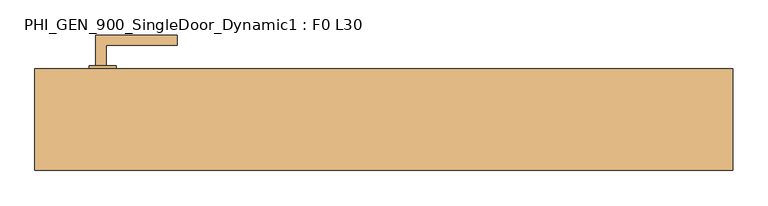
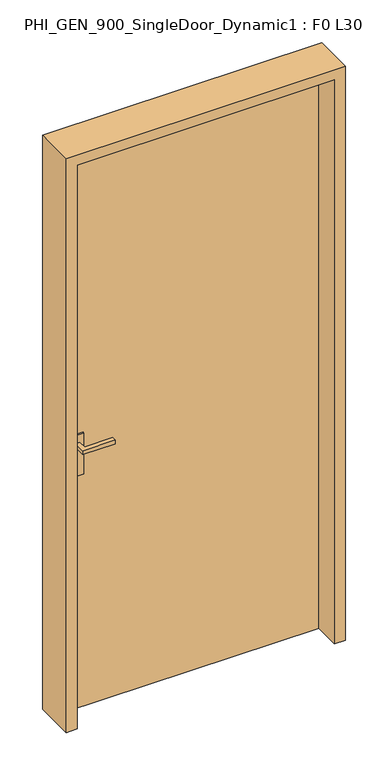
"""IFC4 building model written with IfcOpenShell, lengths in millimetres: door geometry, PHI_GEN_900_SingleDoor_Dynamic1 : F0 L30."""

import ifcopenshell
import ifcopenshell.guid

model = None  # the IFC model being written
_history = None  # IfcOwnerHistory: only IFC2X3 demands one
_inside = {}  # id of a spatial element -> (the spatial element, [elements in it])
_under = {}  # id of a project, library or spatial element -> (it, [spatial elements below it])
_declared = {}  # id of a project -> (the project, [libraries it declares])
_typed = {}  # id of a type object -> (the type object, [elements of that type])
_made_of = {}  # id of a material, layer set ... -> (it, [elements and type objects made of it])


def new_model(schema):
    """Start an empty IFC model of exactly this schema.

    Asked for "IFC4X3", IfcOpenShell would pick the latest addendum, in which some entities
    have other attributes; the version numbers below select the first issue.
    IFC2X3 requires an IfcOwnerHistory on every rooted entity: one is made here for all.
    """
    global model, _history
    if schema == "IFC4X3":
        model = ifcopenshell.file(schema_version=(4, 3, 0, 0))
    else:
        model = ifcopenshell.file(schema=schema)
    _inside.clear()
    _under.clear()
    _declared.clear()
    _typed.clear()
    _made_of.clear()
    _history = None
    if model.schema == "IFC2X3":
        org = make("IfcOrganization", Name="unknown")
        user = make(
            "IfcPersonAndOrganization",
            ThePerson=make("IfcPerson", FamilyName="unknown"),
            TheOrganization=org,
        )
        app = make(
            "IfcApplication",
            ApplicationDeveloper=org,
            Version="unknown",
            ApplicationFullName="unknown",
            ApplicationIdentifier="unknown",
        )
        _history = make(
            "IfcOwnerHistory",
            OwningUser=user,
            OwningApplication=app,
            ChangeAction="ADDED",
            CreationDate=0,
        )
    return model


def make(cls, **values):
    """One entity of the class cls with the attributes given. An attribute that is None is left unset."""
    return model.create_entity(
        cls, **{name: value for name, value in values.items() if value is not None}
    )


def rooted(cls, **values):
    """An entity with a GlobalId (a new one), such as an element, a storey or a relation."""
    return make(cls, GlobalId=ifcopenshell.guid.new(), OwnerHistory=_history, **values)


def si_unit(unit_type, name, prefix=None):
    """IfcSIUnit, for example si_unit("LENGTHUNIT", "METRE", prefix="MILLI")."""
    return make("IfcSIUnit", UnitType=unit_type, Prefix=prefix, Name=name)


def assignment(units):
    """IfcUnitAssignment: the units of a project."""
    return None if units is None else make("IfcUnitAssignment", Units=units)


def point(xyz):
    """IfcCartesianPoint."""
    return None if xyz is None else make("IfcCartesianPoint", Coordinates=xyz)


def direction(xyz):
    """IfcDirection."""
    return None if xyz is None else make("IfcDirection", DirectionRatios=xyz)


def frame(location, z_axis=None, x_axis=None):
    """IfcAxis2Placement3D, a coordinate frame: its origin and axes. An axis left out is left unset."""
    return make(
        "IfcAxis2Placement3D",
        Location=point(location),
        Axis=direction(z_axis),
        RefDirection=direction(x_axis),
    )


def origin():
    """The frame at (0, 0, 0) with its axes left unset."""
    return frame((0.0, 0.0, 0.0))


def origin_with_axes():
    """The frame at (0, 0, 0) with the z axis (0, 0, 1) and the x axis (1, 0, 0) written out."""
    return frame((0.0, 0.0, 0.0), z_axis=(0.0, 0.0, 1.0), x_axis=(1.0, 0.0, 0.0))


def place(relative_to, where):
    """IfcLocalPlacement: puts the frame where relative to a parent placement (None: the world)."""
    return make(
        "IfcLocalPlacement", PlacementRelTo=relative_to, RelativePlacement=where
    )


def context(
    kind, dimensions, precision=None, world=None, true_north=None, identifier=None
):
    """IfcGeometricRepresentationContext, for example the 3D "Model" context."""
    return make(
        "IfcGeometricRepresentationContext",
        ContextIdentifier=identifier,
        ContextType=kind,
        CoordinateSpaceDimension=dimensions,
        Precision=precision,
        WorldCoordinateSystem=world,
        TrueNorth=true_north,
    )


def project(units=None, contexts=None):
    """IfcProject with its units and contexts."""
    return rooted(
        "IfcProject",
        Name="project",
        RepresentationContexts=contexts,
        UnitsInContext=assignment(units),
    )


def spatial(cls, under=None, at=None, **own):
    """A site, building, storey or space (cls), placed at a placement, below another one or the project."""
    s = rooted(cls, ObjectPlacement=at, **own)
    if under is not None:
        _under.setdefault(under.id(), (under, []))[1].append(s)
    return s


def polyline(points):
    """IfcPolyline through the points."""
    return make("IfcPolyline", Points=[point(p) for p in points])


def outline(outer, holes=None, kind="AREA"):
    """IfcArbitraryClosedProfileDef: a profile drawn as a closed curve; with holes, ...WithVoids."""
    if holes is None:
        return make("IfcArbitraryClosedProfileDef", ProfileType=kind, OuterCurve=outer)
    return make(
        "IfcArbitraryProfileDefWithVoids",
        ProfileType=kind,
        OuterCurve=outer,
        InnerCurves=holes,
    )


def extrude(swept, where, along, depth):
    """IfcExtrudedAreaSolid: the profile swept, set in the frame where, extruded along a direction by depth."""
    return make(
        "IfcExtrudedAreaSolid",
        SweptArea=swept,
        Position=where,
        ExtrudedDirection=direction(along),
        Depth=depth,
    )


def shape(context_of_items, identifier, shape_type, items):
    """IfcShapeRepresentation: the items that make up one representation, for example the "Body"."""
    return make(
        "IfcShapeRepresentation",
        ContextOfItems=context_of_items,
        RepresentationIdentifier=identifier,
        RepresentationType=shape_type,
        Items=items,
    )


def source(mapping_origin, context_of_items, identifier, shape_type, items):
    """IfcRepresentationMap: a shape defined once, which mapped items show again and again."""
    return make(
        "IfcRepresentationMap",
        MappingOrigin=mapping_origin,
        MappedRepresentation=shape(context_of_items, identifier, shape_type, items),
    )


def transform(
    local_origin,
    x_axis=None,
    y_axis=None,
    z_axis=None,
    scale=None,
    scale2=None,
    scale3=None,
    uniform=True,
):
    """IfcCartesianTransformationOperator3D, or its non-uniform kind. x_axis, y_axis, z_axis: its Axis1, 2, 3."""
    if uniform:
        return make(
            "IfcCartesianTransformationOperator3D",
            Axis1=direction(x_axis),
            Axis2=direction(y_axis),
            LocalOrigin=point(local_origin),
            Scale=scale,
            Axis3=direction(z_axis),
        )
    return make(
        "IfcCartesianTransformationOperator3DnonUniform",
        Axis1=direction(x_axis),
        Axis2=direction(y_axis),
        LocalOrigin=point(local_origin),
        Scale=scale,
        Axis3=direction(z_axis),
        Scale2=scale2,
        Scale3=scale3,
    )


def mapped(mapping_source, mapping_target):
    """IfcMappedItem: shows the shape of a source again, moved by a transform."""
    return make(
        "IfcMappedItem", MappingSource=mapping_source, MappingTarget=mapping_target
    )


def made_of(thing, what):
    """Note that an element or type object is made of a material, layer set ...; save() writes the relation."""
    if what is not None:
        _made_of.setdefault(what.id(), (what, []))[1].append(thing)
    return thing


def element(
    cls,
    number,
    at=None,
    inside=None,
    cuts=None,
    type_object=None,
    material=None,
    context=None,
    identifier="Body",
    shape_type=None,
    held_by="IfcProductDefinitionShape",
    body=None,
    shapes=None,
    **own,
):
    """One element of the class cls, such as IfcWall. Its Tag is "e" and its number.

    at: its placement. inside: the storey or other place that contains it. cuts: it is an
    opening in that element (IfcRelVoidsElement). A single representation is given by context,
    identifier, shape_type and body (its items); several are given by shapes. held_by: the class
    of the entity that holds the representations. save() writes the other relations.
    """
    e = rooted(cls, Tag="e%d" % number, ObjectPlacement=at, **own)
    if body is not None:
        shapes = [shape(context, identifier, shape_type, body)]
    if shapes is not None:
        e.Representation = make(held_by, Representations=shapes)
    if inside is not None:
        _inside.setdefault(inside.id(), (inside, []))[1].append(e)
    if cuts is not None:
        rooted(
            "IfcRelVoidsElement", RelatingBuildingElement=cuts, RelatedOpeningElement=e
        )
    if type_object is not None:
        _typed.setdefault(type_object.id(), (type_object, []))[1].append(e)
    return made_of(e, material)


def aggregate(whole, parts):
    """IfcRelAggregates: a whole, such as a stair, and the parts it consists of."""
    return rooted("IfcRelAggregates", RelatingObject=whole, RelatedObjects=parts)


def save(model, path):
    """Write the relations noted so far, then the file.

    IfcRelAggregates (storeys below a building ...), IfcRelContainedInSpatialStructure (elements
    in a storey), IfcRelDefinesByType, IfcRelAssociatesMaterial and IfcRelDeclares: one each for
    every whole, place, type object, material and project.
    """
    for whole, parts in _under.values():
        aggregate(whole, parts)
    for where, things in _inside.values():
        rooted(
            "IfcRelContainedInSpatialStructure",
            RelatedElements=things,
            RelatingStructure=where,
        )
    for kind, things in _typed.values():
        rooted("IfcRelDefinesByType", RelatedObjects=things, RelatingType=kind)
    for what, things in _made_of.values():
        rooted("IfcRelAssociatesMaterial", RelatedObjects=things, RelatingMaterial=what)
    for by, libraries in _declared.values():
        rooted("IfcRelDeclares", RelatingContext=by, RelatedDefinitions=libraries)
    model.write(path)


def phi_gen_900_singledoor_dynamic1_f0_l30_767a9ef4(model_context):
    return source(origin(), model_context, "Body", "SweptSolid", [
        extrude(outline(polyline([(0.0, -865.0), (0.0, -825.0), (2200.0, -825.0), (2200.0, 125.0), (0.0, 125.0), (0.0, 165.0), (2240.0, 165.0), (2240.0, -865.0), (0.0, -865.0)])), frame((0.0, -75.0, 0.0), z_axis=(0.0, 1.0, 0.0), x_axis=(0.0, 0.0, 1.0)), (0.0, 0.0, 1.0), 150.0),
        extrude(outline(polyline([(-775.0, 20.0), (-760.0, 20.0), (-760.0, -10.0), (-655.0, -10.0), (-655.0, -25.0), (-775.0, -25.0), (-775.0, 20.0)])), frame((0.0, 0.0, 1022.5), z_axis=(0.0, 0.0, 1.0), x_axis=(1.0, 0.0, 0.0)), (0.0, 0.0, 1.0), 15.0),
        extrude(outline(polyline([(-760.0, 80.0), (-775.0, 80.0), (-775.0, 125.0), (-655.0, 125.0), (-655.0, 110.0), (-760.0, 110.0), (-760.0, 80.0)])), frame((0.0, 0.0, 1022.5), z_axis=(0.0, 0.0, 1.0), x_axis=(1.0, 0.0, 0.0)), (0.0, 0.0, 1.0), 15.0),
        extrude(outline(polyline([(-745.0, 80.0), (-745.0, 75.0), (-785.0, 75.0), (-785.0, 80.0), (-745.0, 80.0)])), frame((0.0, 0.0, 910.0), z_axis=(0.0, 0.0, 1.0), x_axis=(1.0, 0.0, 0.0)), (0.0, 0.0, 1.0), 160.0),
        extrude(outline(polyline([(-745.0, 20.0), (-785.0, 20.0), (-785.0, 25.0), (-745.0, 25.0), (-745.0, 20.0)])), frame((0.0, 0.0, 910.0), z_axis=(0.0, 0.0, 1.0), x_axis=(1.0, 0.0, 0.0)), (0.0, 0.0, 1.0), 160.0),
        extrude(outline(polyline([(-825.0, 75.0), (125.0, 75.0), (125.0, 25.0), (-825.0, 25.0), (-825.0, 75.0)])), origin_with_axes(), (0.0, 0.0, 1.0), 2200.0),
    ])


if __name__ == "__main__":
    model = new_model("IFC4")
    model_context = context("Model", 3, world=origin())
    ifc_project = project(units=[si_unit("LENGTHUNIT", "METRE", prefix="MILLI")], contexts=[model_context])
    site = spatial("IfcSite", under=ifc_project)
    building = spatial("IfcBuilding", under=site)
    placement = place(None, origin())
    phi_gen_900_singledoor_dynamic1_f0_l30_shape = phi_gen_900_singledoor_dynamic1_f0_l30_767a9ef4(model_context)
    element("IfcDoor", 1, ObjectType="PHI_GEN_900_SingleDoor_Dynamic1 : F0 L30", at=placement, inside=building, context=model_context, shape_type="MappedRepresentation", body=[
        mapped(phi_gen_900_singledoor_dynamic1_f0_l30_shape, transform((0.0, 0.0, 0.0), x_axis=(1.0, 0.0, 0.0), y_axis=(0.0, 1.0, 0.0), z_axis=(0.0, 0.0, 1.0))),
    ])
    save(model, "model.ifc")
